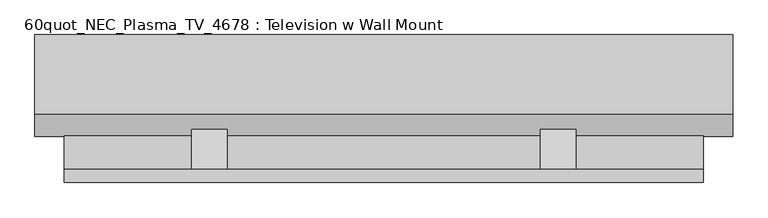
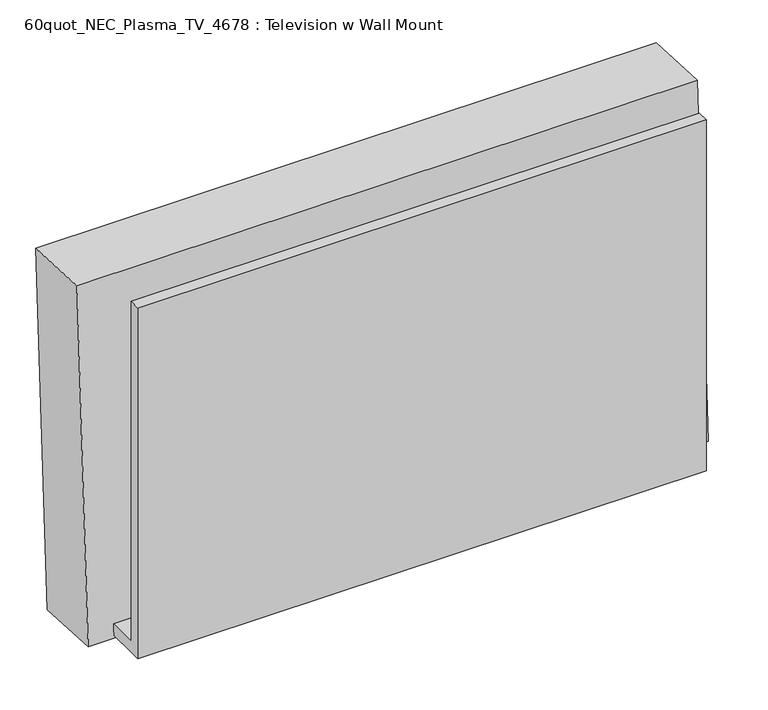
"""IFC4 building model written with IfcOpenShell, lengths in millimetres: proxy geometry, 60quot_NEC_Plasma_TV_4678 : Television w Wall Mount."""

from ifc_helpers import new_model, si_unit, point, frame, frame_2d, origin, place, context, project, spatial, polyline, circle_curve, trimmed, segment, composite_curve, outline, extrude, source, transform, mapped, element, save
from ifc_brep_helpers import plane_surface, revolved_surface, advanced_brep


def proxy_60quot_nec_plasma_tv_4678_television_w_wall_mount_cc8eaa67(model_context):
    return source(origin(), model_context, "Body", "SolidModel", [
        extrude(outline(composite_curve([segment(trimmed(circle_curve(frame_2d((0.0, -9.0037851)), 9.0037851), [point((0.0, -18.0075701))], [point((0.0, 0.0))], False, "CARTESIAN"), True, "CONTINUOUS"), segment(trimmed(circle_curve(frame_2d((0.0, -9.0037851)), 9.0037851), [point((0.0, 0.0))], [point((0.0, -18.0075701))], False, "CARTESIAN"), True, "CONTINUOUS")], self_intersect=False)), frame((-656.4331651, 240.5253505, 2466.195864), z_axis=(0.0, -0.9986295347545739, 0.05233595624294378), x_axis=(1.0, 0.0, 0.0)), (0.0, 0.0, 1.0), 3.175),
        extrude(outline(composite_curve([segment(trimmed(circle_curve(frame_2d((0.0, -9.0037851)), 9.0037851), [point((0.0, -18.0075701))], [point((0.0, 0.0))], False, "CARTESIAN"), True, "CONTINUOUS"), segment(trimmed(circle_curve(frame_2d((0.0, -9.0037851)), 9.0037851), [point((0.0, 0.0))], [point((0.0, -18.0075701))], False, "CARTESIAN"), True, "CONTINUOUS")], self_intersect=False)), frame((-675.4831651, 240.5253505, 2466.195864), z_axis=(0.0, -0.9986295347545739, 0.05233595624294378), x_axis=(1.0, 0.0, 0.0)), (0.0, 0.0, 1.0), 3.175),
        extrude(outline(polyline([(138.7616051, 2647.7291544), (135.5082889, 2585.6521819), (80.9625, 2680.1282596), (80.9625, 2705.5282596), (138.7616051, 2647.7291544)])), frame((-38.7151563, 0.0, 0.0), z_axis=(1.0, 0.0, 0.0), x_axis=(0.0, 1.0, 0.0)), (0.0, 0.0, 1.0), 50.8),
        extrude(outline(polyline([(138.7616051, 2647.7291544), (135.5082889, 2585.6521819), (80.9625, 2680.1282596), (80.9625, 2705.5282596), (138.7616051, 2647.7291544)])), frame((-537.7854688, 0.0, 0.0), z_axis=(1.0, 0.0, 0.0), x_axis=(0.0, 1.0, 0.0)), (0.0, 0.0, 1.0), 50.8),
        extrude(outline(polyline([(61.9125, 2451.1), (61.9125, 3048.0), (80.9625, 3048.0), (80.9625, 2470.15), (129.455076, 2470.15), (128.4567078, 2451.1), (80.9625, 2451.1), (61.9125, 2451.1)])), frame((-720.0503125, 0.0, 0.0), z_axis=(1.0, 0.0, 0.0), x_axis=(0.0, 1.0, 0.0)), (0.0, 0.0, 1.0), 914.4),
        extrude(outline(polyline([(0.0, -933.053125), (0.0, 0.0), (3.175, 0.0), (3.175, -933.053125), (0.0, -933.053125)])), frame((-729.376875, 237.7077838, 2473.0992385), z_axis=(0.0, 0.052335956242984656, 0.9986295347545718), x_axis=(0.0, 0.9986295347545718, -0.052335956242984656)), (0.0, 0.0, 1.0), 531.4488846),
        extrude(outline(polyline([(0.0, -933.053125), (0.0, 0.0), (76.2, 0.0), (76.2, -933.053125), (0.0, -933.053125)])), frame((-729.376875, 155.2709157, 2477.4195717), z_axis=(0.0, 0.052335956242941954, 0.998629534754574), x_axis=(0.0, 0.998629534754574, -0.052335956242941954)), (0.0, 0.0, 1.0), 531.4488846),
        extrude(outline(composite_curve([segment(trimmed(circle_curve(frame_2d((0.0, -9.0037851)), 9.0037851), [point((0.0, -18.0075701))], [point((0.0, 0.0))], False, "CARTESIAN"), True, "CONTINUOUS"), segment(trimmed(circle_curve(frame_2d((0.0, -9.0037851)), 9.0037851), [point((0.0, 0.0))], [point((0.0, -18.0075701))], False, "CARTESIAN"), True, "CONTINUOUS")], self_intersect=False)), frame((-694.5331651, 240.5253505, 2466.195864), z_axis=(0.0, -0.9986295347545739, 0.05233595624294378), x_axis=(1.0, 0.0, 0.0)), (0.0, 0.0, 1.0), 3.175),
        advanced_brep(
        [(-761.920625, 159.4228194, 3041.9686073), (-761.920625, 128.2025172, 2446.249755), (236.22, 128.2025172, 2446.249755), (236.22, 159.4228194, 3041.9686073), (-761.920625, 273.5661752, 3035.9866075), (236.22, 273.5661752, 3035.9866075), (236.22, 242.3458731, 2440.2677552), (-761.920625, 242.3458731, 2440.2677552), (-729.376875, 271.8629669, 3003.4874576), (-729.376875, 244.0490813, 2472.7669052), (203.67625, 244.0490813, 2472.7669052), (203.67625, 271.8629669, 3003.4874576), (-694.5331651, 242.907645, 2450.9870027), (-694.5331651, 243.5723117, 2463.6695978), (-675.4831651, 242.907645, 2450.9870027), (-675.4831651, 243.5723117, 2463.6695978), (-656.4331651, 242.907645, 2450.9870027), (-656.4331651, 243.5723117, 2463.6695978), (-729.376875, 183.0848013, 3008.1401241), (203.67625, 183.0848013, 3008.1401241), (203.67625, 155.2709157, 2477.4195717), (-729.376875, 155.2709157, 2477.4195717), (-694.5331651, 154.1294794, 2455.6396693), (-694.5331651, 154.794146, 2468.3222643), (-675.4831651, 154.1294794, 2455.6396693), (-675.4831651, 154.794146, 2468.3222643), (-656.4331651, 154.1294794, 2455.6396693), (-656.4331651, 154.794146, 2468.3222643)],
        [
            (0, 1),
            (1, 2),
            (2, 3),
            (3, 0),
            (4, 5),
            (5, 6),
            (6, 7),
            (7, 4),
            (8, 9),
            (9, 10),
            (10, 11),
            (11, 8),
            (12, 13, circle_curve(frame((-694.5331651, 243.2399783, 2457.3283003), z_axis=(0.0, -0.9986295347545739, 0.05233595624294378), x_axis=(0.0, 0.05233595624294378, 0.9986295347545739)), 6.35)),
            (13, 12, circle_curve(frame((-694.5331651, 243.2399783, 2457.3283003), z_axis=(0.0, -0.9986295347545739, 0.05233595624294378), x_axis=(0.0, 0.05233595624294378, 0.9986295347545739)), 6.35)),
            (14, 15, circle_curve(frame((-675.4831651, 243.2399783, 2457.3283003), z_axis=(0.0, -0.9986295347545739, 0.05233595624294378), x_axis=(0.0, 0.05233595624294378, 0.9986295347545739)), 6.35)),
            (15, 14, circle_curve(frame((-675.4831651, 243.2399783, 2457.3283003), z_axis=(0.0, -0.9986295347545739, 0.05233595624294378), x_axis=(0.0, 0.05233595624294378, 0.9986295347545739)), 6.35)),
            (16, 17, circle_curve(frame((-656.4331651, 243.2399783, 2457.3283003), z_axis=(0.0, -0.9986295347545739, 0.05233595624294378), x_axis=(0.0, 0.05233595624294378, 0.9986295347545739)), 6.35)),
            (17, 16, circle_curve(frame((-656.4331651, 243.2399783, 2457.3283003), z_axis=(0.0, -0.9986295347545739, 0.05233595624294378), x_axis=(0.0, 0.05233595624294378, 0.9986295347545739)), 6.35)),
            (0, 4),
            (7, 1),
            (6, 2),
            (5, 3),
            (18, 19),
            (19, 20),
            (20, 21),
            (21, 18),
            (21, 9),
            (8, 18),
            (20, 10),
            (19, 11),
            (22, 23, circle_curve(frame((-694.5331651, 154.4618127, 2461.9809668), z_axis=(0.0, 0.9986295347545739, -0.05233595624294378), x_axis=(0.0, 0.05233595624294378, 0.9986295347545739)), 6.35)),
            (23, 22, circle_curve(frame((-694.5331651, 154.4618127, 2461.9809668), z_axis=(0.0, 0.9986295347545739, -0.05233595624294378), x_axis=(0.0, 0.05233595624294378, 0.9986295347545739)), 6.35)),
            (24, 25, circle_curve(frame((-675.4831651, 154.4618127, 2461.9809668), z_axis=(0.0, 0.9986295347545739, -0.05233595624294378), x_axis=(0.0, 0.05233595624294378, 0.9986295347545739)), 6.35)),
            (25, 24, circle_curve(frame((-675.4831651, 154.4618127, 2461.9809668), z_axis=(0.0, 0.9986295347545739, -0.05233595624294378), x_axis=(0.0, 0.05233595624294378, 0.9986295347545739)), 6.35)),
            (26, 27, circle_curve(frame((-656.4331651, 154.4618127, 2461.9809668), z_axis=(0.0, 0.9986295347545739, -0.05233595624294378), x_axis=(0.0, 0.05233595624294378, 0.9986295347545739)), 6.35)),
            (27, 26, circle_curve(frame((-656.4331651, 154.4618127, 2461.9809668), z_axis=(0.0, 0.9986295347545739, -0.05233595624294378), x_axis=(0.0, 0.05233595624294378, 0.9986295347545739)), 6.35)),
            (23, 13),
            (12, 22),
            (25, 15),
            (14, 24),
            (27, 17),
            (16, 26),
        ],
        [
            plane_surface(frame((-761.920625, 159.4228194, 3041.9686073), z_axis=(0.0, -0.9986295347545739, 0.05233595624294378), x_axis=(0.0, -0.05233595624294378, -0.9986295347545739))),
            plane_surface(frame((-761.920625, 273.5661752, 3035.9866075), z_axis=(0.0, 0.9986295347545739, -0.05233595624294378), x_axis=(0.0, 0.05233595624294378, 0.9986295347545739))),
            plane_surface(frame((-761.920625, 159.4228194, 3041.9686073), z_axis=(-1.0000000000000002, 0.0, 0.0), x_axis=(0.0, 0.998629534754574, -0.05233595624294197))),
            plane_surface(frame((-761.920625, 128.2025172, 2446.249755), z_axis=(0.0, -0.05233595624294196, -0.998629534754574), x_axis=(0.0, 0.998629534754574, -0.05233595624294196))),
            plane_surface(frame((236.22, 128.2025172, 2446.249755), z_axis=(1.0000000000000002, 0.0, 0.0), x_axis=(0.0, 0.998629534754574, -0.05233595624294196))),
            plane_surface(frame((236.22, 159.4228194, 3041.9686073), z_axis=(0.0, 0.05233595624294197, 0.998629534754574), x_axis=(0.0, 0.998629534754574, -0.05233595624294197))),
            plane_surface(frame((-729.376875, 183.0848013, 3008.1401241), z_axis=(0.0, 0.9986295347545739, -0.05233595624294378), x_axis=(0.0, -0.05233595624294378, -0.9986295347545739))),
            plane_surface(frame((-729.376875, 183.0848013, 3008.1401241), z_axis=(1.0000000000000002, 0.0, 0.0), x_axis=(0.0, 0.998629534754574, -0.05233595624294197))),
            plane_surface(frame((-729.376875, 155.2709157, 2477.4195717), z_axis=(0.0, 0.05233595624294197, 0.998629534754574), x_axis=(0.0, 0.998629534754574, -0.05233595624294197))),
            plane_surface(frame((203.67625, 155.2709157, 2477.4195717), z_axis=(-1.0000000000000002, 0.0, 0.0), x_axis=(0.0, 0.998629534754574, -0.05233595624294197))),
            plane_surface(frame((203.67625, 183.0848013, 3008.1401241), z_axis=(0.0, -0.05233595624294197, -0.998629534754574), x_axis=(0.0, 0.998629534754574, -0.05233595624294197))),
            plane_surface(frame((-694.5331651, 154.794146, 2468.3222643), z_axis=(0.0, 0.9986295347545739, -0.05233595624294377), x_axis=(-1.0, 0.0, 0.0))),
            revolved_surface(polyline([(-694.5331651, 154.79414600286253, 2468.3222643546205), (-694.5331651, 243.5723117021748, 2463.6695978414978)]), (-694.5331651, 243.2399783, 2457.3283003), (0.0, -0.9986295347545739, 0.05233595624294378)),
            revolved_surface(polyline([(-675.4831651, 154.79414600299884, 2468.3222643572212), (-675.4831651, 243.57231170231108, 2463.669597844098)]), (-675.4831651, 129.0966225, 2463.3103001), (0.0, -0.9986295347545739, 0.05233595624294378)),
            revolved_surface(polyline([(-656.4331651, 154.79414600299884, 2468.3222643572212), (-656.4331651, 243.57231170231108, 2463.669597844098)]), (-656.4331651, 129.0966225, 2463.3103001), (0.0, -0.9986295347545739, 0.05233595624294378)),
        ],
        [
            (0, [[1, 2, 3, 4]]),
            (1, [[5, 6, 7, 8], [9, 10, 11, 12], [13, 14], [15, 16], [17, 18]]),
            (2, [[-1, 19, -8, 20]]),
            (3, [[-2, -20, -7, 21]]),
            (4, [[-3, -21, -6, 22]]),
            (5, [[-4, -22, -5, -19]]),
            (6, [[23, 24, 25, 26]]),
            (7, [[-26, 27, -9, 28]]),
            (8, [[-25, 29, -10, -27]]),
            (9, [[-24, 30, -11, -29]]),
            (10, [[-23, -28, -12, -30]]),
            (11, [[31, 32]]),
            (11, [[33, 34]]),
            (11, [[35, 36]]),
            (12, [[-32, 37, -13, 38]]),
            (12, [[-31, -38, -14, -37]]),
            (13, [[-34, 39, -15, 40]]),
            (13, [[-33, -40, -16, -39]]),
            (14, [[-36, 41, -17, 42]]),
            (14, [[-35, -42, -18, -41]]),
        ],
    ),
    ])


if __name__ == "__main__":
    model = new_model("IFC4")
    model_context = context("Model", 3, world=origin())
    ifc_project = project(units=[si_unit("LENGTHUNIT", "METRE", prefix="MILLI")], contexts=[model_context])
    site = spatial("IfcSite", under=ifc_project)
    building = spatial("IfcBuilding", under=site)
    placement = place(None, origin())
    proxy_60quot_nec_plasma_tv_4678_television_w_wall_mount_shape = proxy_60quot_nec_plasma_tv_4678_television_w_wall_mount_cc8eaa67(model_context)
    element("IfcBuildingElementProxy", 1, Name="60quot_NEC_Plasma_TV_4678 : Television w Wall Mount", ObjectType="60quot_NEC_Plasma_TV_4678 : Television w Wall Mount", at=placement, inside=building, context=model_context, shape_type="MappedRepresentation", body=[
        mapped(proxy_60quot_nec_plasma_tv_4678_television_w_wall_mount_shape, transform((0.0, 0.0, 0.0), x_axis=(1.0, 0.0, 0.0), y_axis=(0.0, 1.0, 0.0), z_axis=(0.0, 0.0, 1.0))),
    ])
    save(model, "model.ifc")
